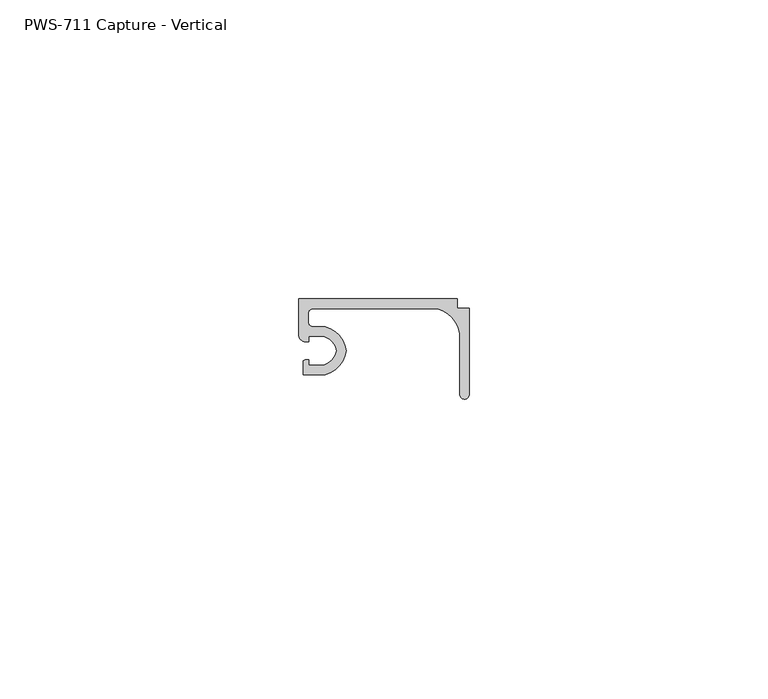
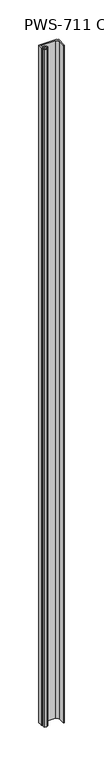
"""IFC4 building model written with IfcOpenShell, lengths in millimetres: proxy geometry, PWS-711 Capture - Vertical."""

from ifc_helpers import new_model, si_unit, point, frame_2d, origin, origin_with_axes, place, context, project, spatial, polyline, circle_curve, trimmed, segment, composite_curve, outline, extrude, source, transform, mapped, element, save


def pws_711_capture_vertical_f9f9b2bb(model_context):
    return source(origin(), model_context, "Body", "SweptSolid", [
        extrude(outline(composite_curve([segment(trimmed(circle_curve(frame_2d((3.2089841, 41.4694327)), 3.2037832), [point((6.35, 42.1005))], [point((4.207924, 44.5135))], True, "CARTESIAN"), True, "CONTINUOUS"), segment(polyline([(4.207924, 44.5135), (1.6997088, 44.5135), (1.6997088, 43.6245), (0.9083659, 43.6245)]), True, "CONTINUOUS"), segment(trimmed(circle_curve(frame_2d((1.1429206, 44.7430936)), 1.1429206), [point((0.9083659, 43.6245))], [point((0.0, 44.7430936))], False, "CARTESIAN"), True, "CONTINUOUS"), segment(polyline([(0.0, 44.7430936), (0.0, 50.8), (26.543, 50.8), (26.543, 49.2125), (28.575, 49.2125), (28.575, 34.76625)]), True, "CONTINUOUS"), segment(trimmed(circle_curve(frame_2d((27.78125, 34.76625)), 0.79375), [point((28.575, 34.76625))], [point((26.9875, 34.76625))], False, "CARTESIAN"), True, "CONTINUOUS"), segment(polyline([(26.9875, 34.76625), (26.9875, 44.9619826)]), True, "CONTINUOUS"), segment(trimmed(circle_curve(frame_2d((21.7797652, 44.0047652)), 5.2949756), [point((26.9875, 44.9619826))], [point((23.2016903, 49.1052452))], True, "CARTESIAN"), True, "CONTINUOUS"), segment(polyline([(23.2016903, 49.1052452), (2.38252, 49.1052452)]), True, "CONTINUOUS"), segment(trimmed(circle_curve(frame_2d((2.38252, 48.3102252)), 0.79502), [point((2.38252, 49.1052452))], [point((1.5875, 48.3102252))], True, "CARTESIAN"), True, "CONTINUOUS"), segment(polyline([(1.5875, 48.3102252), (1.5875, 46.89602)]), True, "CONTINUOUS"), segment(trimmed(circle_curve(frame_2d((2.38252, 46.89602)), 0.79502), [point((1.5875, 46.89602))], [point((2.38252, 46.101))], True, "CARTESIAN"), True, "CONTINUOUS"), segment(polyline([(2.38252, 46.101), (4.4357599, 46.101)]), True, "CONTINUOUS"), segment(trimmed(circle_curve(frame_2d((3.2089841, 41.4694327)), 4.7912832), [point((4.4357599, 46.101))], [point((7.9585261, 42.1005))], False, "CARTESIAN"), True, "CONTINUOUS"), segment(trimmed(circle_curve(frame_2d((3.2089841, 42.7315673)), 4.7912832), [point((7.9585261, 42.1005))], [point((4.4357599, 38.1))], False, "CARTESIAN"), True, "CONTINUOUS"), segment(polyline([(4.4357599, 38.1), (0.762, 38.1), (0.762, 40.4372806)]), True, "CONTINUOUS"), segment(trimmed(circle_curve(frame_2d((1.3351034, 39.4755121)), 1.1195742), [point((0.762, 40.4372806))], [point((1.6997088, 40.5340531))], False, "CARTESIAN"), True, "CONTINUOUS"), segment(polyline([(1.6997088, 40.5340531), (1.6997088, 39.6875), (4.207924, 39.6875)]), True, "CONTINUOUS"), segment(trimmed(circle_curve(frame_2d((3.2089841, 42.7315673)), 3.2037832), [point((4.207924, 39.6875))], [point((6.35, 42.1005))], True, "CARTESIAN"), True, "CONTINUOUS")], self_intersect=False)), origin_with_axes(), (0.0, 0.0, 1.0), 1063.9226562),
    ])


if __name__ == "__main__":
    model = new_model("IFC4")
    model_context = context("Model", 3, world=origin())
    ifc_project = project(units=[si_unit("LENGTHUNIT", "METRE", prefix="MILLI")], contexts=[model_context])
    site = spatial("IfcSite", under=ifc_project)
    building = spatial("IfcBuilding", under=site)
    placement = place(None, origin())
    pws_711_capture_vertical_shape = pws_711_capture_vertical_f9f9b2bb(model_context)
    element("IfcBuildingElementProxy", 1, Name="PWS-711 Capture - Vertical", ObjectType="PWS-711 Capture - Vertical", at=placement, inside=building, context=model_context, shape_type="MappedRepresentation", body=[
        mapped(pws_711_capture_vertical_shape, transform((0.0, 0.0, 0.0), x_axis=(1.0, 0.0, 0.0), y_axis=(0.0, 1.0, 0.0), z_axis=(0.0, 0.0, 1.0))),
    ])
    save(model, "model.ifc")
